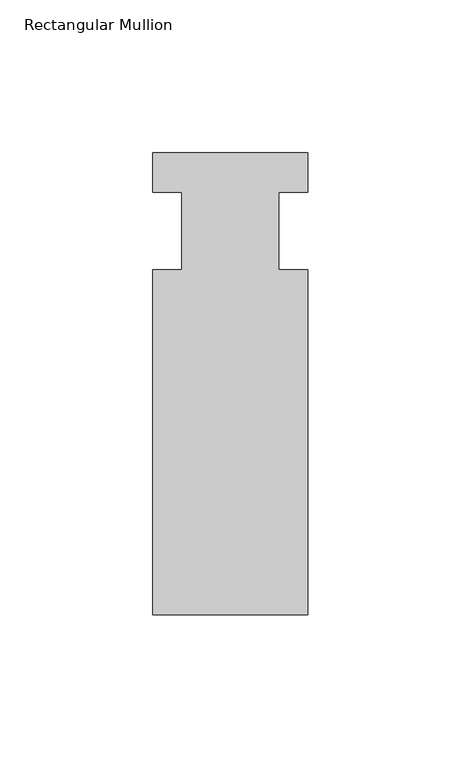
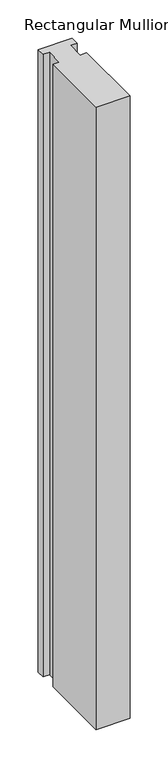
"""IFC4 building model written with IfcOpenShell, lengths in millimetres: member geometry, Rectangular Mullion."""

from ifc_helpers import new_model, si_unit, frame, origin, place, context, project, spatial, polyline, outline, extrude, source, transform, mapped, element, save


def rectangular_mullion_3a63f158(model_context):
    return source(origin(), model_context, "Body", "SweptSolid", [
        extrude(outline(polyline([(-25.4, 25.58415), (25.4, 25.58415), (25.4, 12.7), (15.875, 12.7), (15.875, -12.7), (25.4, -12.7), (25.4, -125.59665), (-25.4, -125.59665), (-25.4, -12.7), (-15.875, -12.7), (-15.875, 12.7), (-25.4, 12.7), (-25.4, 25.58415)])), frame((0.0, 0.0, -990.6), z_axis=(0.0, 0.0, 1.0), x_axis=(1.0, 0.0, 0.0)), (0.0, 0.0, 1.0), 990.6),
    ])


if __name__ == "__main__":
    model = new_model("IFC4")
    model_context = context("Model", 3, world=origin())
    ifc_project = project(units=[si_unit("LENGTHUNIT", "METRE", prefix="MILLI")], contexts=[model_context])
    site = spatial("IfcSite", under=ifc_project)
    building = spatial("IfcBuilding", under=site)
    placement = place(None, origin())
    rectangular_mullion_shape = rectangular_mullion_3a63f158(model_context)
    element("IfcMember", 1, ObjectType="Rectangular Mullion", at=placement, inside=building, context=model_context, shape_type="MappedRepresentation", body=[
        mapped(rectangular_mullion_shape, transform((0.0, 0.0, 0.0), x_axis=(1.0, 0.0, 0.0), y_axis=(0.0, 1.0, 0.0), z_axis=(0.0, 0.0, 1.0))),
    ])
    save(model, "model.ifc")
